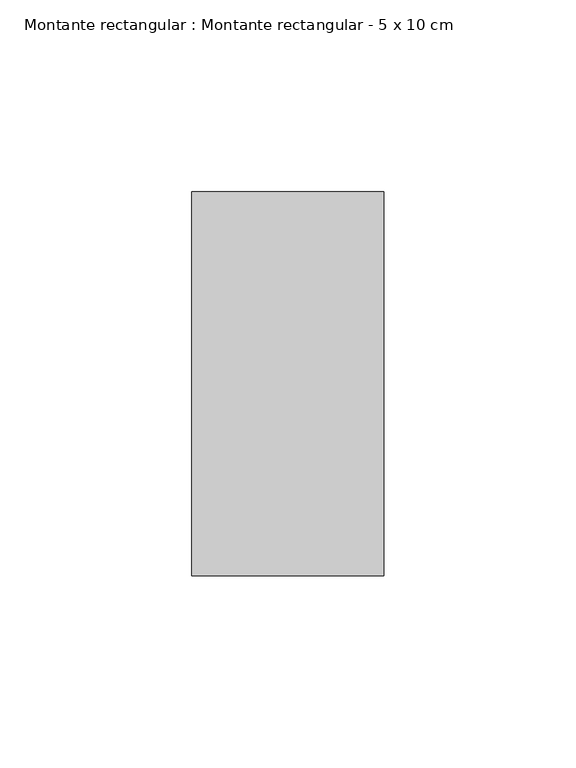
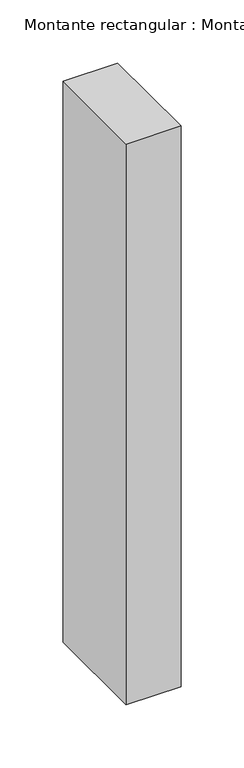
"""IFC4 building model written with IfcOpenShell, lengths in millimetres: member geometry, Montante rectangular : Montante rectangular - 5 x 10 cm."""

from ifc_helpers import new_model, si_unit, frame, origin, place, context, project, spatial, polyline, outline, extrude, source, transform, mapped, element, save


def montante_rectangular_montante_rectangular_5_x_10_cm_2a02c077(model_context):
    return source(origin(), model_context, "Body", "SweptSolid", [
        extrude(outline(polyline([(-50.0, 50.0), (0.0, 50.0), (0.0, -50.0), (-50.0, -50.0), (-50.0, 50.0)])), frame((0.0, 0.0, -542.0), z_axis=(0.0, 0.0, 1.0), x_axis=(1.0, 0.0, 0.0)), (0.0, 0.0, 1.0), 542.0),
    ])


if __name__ == "__main__":
    model = new_model("IFC4")
    model_context = context("Model", 3, world=origin())
    ifc_project = project(units=[si_unit("LENGTHUNIT", "METRE", prefix="MILLI")], contexts=[model_context])
    site = spatial("IfcSite", under=ifc_project)
    building = spatial("IfcBuilding", under=site)
    placement = place(None, origin())
    montante_rectangular_montante_rectangular_5_x_10_cm_shape = montante_rectangular_montante_rectangular_5_x_10_cm_2a02c077(model_context)
    element("IfcMember", 1, ObjectType="Montante rectangular : Montante rectangular - 5 x 10 cm", at=placement, inside=building, context=model_context, shape_type="MappedRepresentation", body=[
        mapped(montante_rectangular_montante_rectangular_5_x_10_cm_shape, transform((0.0, 0.0, 0.0), x_axis=(1.0, 0.0, 0.0), y_axis=(0.0, 1.0, 0.0), z_axis=(0.0, 0.0, 1.0))),
    ])
    save(model, "model.ifc")
